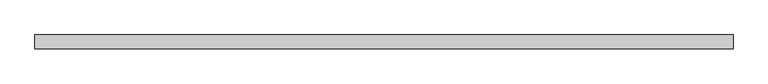
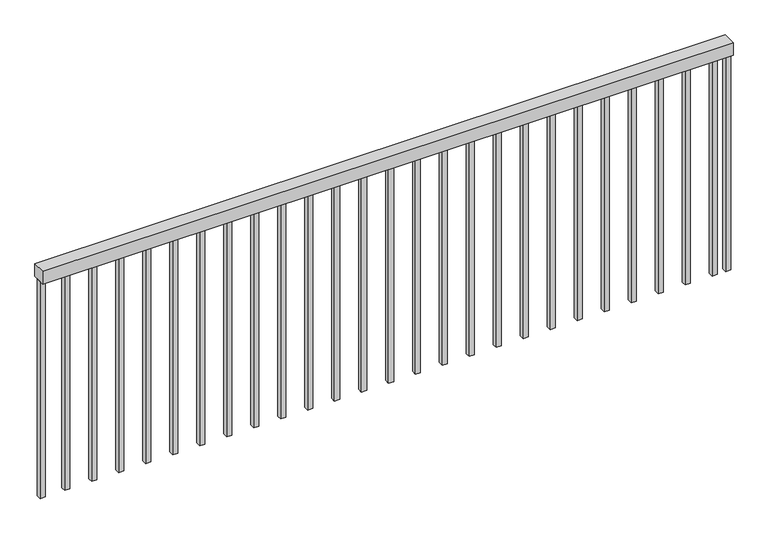
"""IFC4 building model written with IfcOpenShell, lengths in millimetres: railing geometry."""

from ifc_helpers import new_model, si_unit, frame, origin, place, context, project, spatial, polyline, outline, extrude, source, transform, mapped, element, save


def railing_a45c47aa(model_context):
    return source(origin(), model_context, "Body", "SweptSolid", [
        extrude(outline(polyline([(-8860.4855766, 1845.6594717), (-8860.4855766, 1896.4594717), (-6260.4855766, 1896.4594717), (-6260.4855766, 1845.6594717), (-8860.4855766, 1845.6594717)])), frame((0.0, 0.0, 3903.6), z_axis=(0.0, 0.0, 1.0), x_axis=(1.0, 0.0, 0.0)), (0.0, 0.0, 1.0), 50.8),
        extrude(outline(polyline([(-6330.0105766, 1880.5844717), (-6310.9605766, 1880.5844717), (-6310.9605766, 1861.5344717), (-6330.0105766, 1861.5344717), (-6330.0105766, 1880.5844717)])), frame((0.0, 0.0, 3040.0), z_axis=(0.0, 0.0, 1.0), x_axis=(1.0, 0.0, 0.0)), (0.0, 0.0, 1.0), 863.6),
        extrude(outline(polyline([(-6431.6105766, 1880.5844717), (-6412.5605766, 1880.5844717), (-6412.5605766, 1861.5344717), (-6431.6105766, 1861.5344717), (-6431.6105766, 1880.5844717)])), frame((0.0, 0.0, 3040.0), z_axis=(0.0, 0.0, 1.0), x_axis=(1.0, 0.0, 0.0)), (0.0, 0.0, 1.0), 863.6),
        extrude(outline(polyline([(-6533.2105766, 1880.5844717), (-6514.1605766, 1880.5844717), (-6514.1605766, 1861.5344717), (-6533.2105766, 1861.5344717), (-6533.2105766, 1880.5844717)])), frame((0.0, 0.0, 3040.0), z_axis=(0.0, 0.0, 1.0), x_axis=(1.0, 0.0, 0.0)), (0.0, 0.0, 1.0), 863.6),
        extrude(outline(polyline([(-6634.8105766, 1880.5844717), (-6615.7605766, 1880.5844717), (-6615.7605766, 1861.5344717), (-6634.8105766, 1861.5344717), (-6634.8105766, 1880.5844717)])), frame((0.0, 0.0, 3040.0), z_axis=(0.0, 0.0, 1.0), x_axis=(1.0, 0.0, 0.0)), (0.0, 0.0, 1.0), 863.6),
        extrude(outline(polyline([(-6736.4105766, 1880.5844717), (-6717.3605766, 1880.5844717), (-6717.3605766, 1861.5344717), (-6736.4105766, 1861.5344717), (-6736.4105766, 1880.5844717)])), frame((0.0, 0.0, 3040.0), z_axis=(0.0, 0.0, 1.0), x_axis=(1.0, 0.0, 0.0)), (0.0, 0.0, 1.0), 863.6),
        extrude(outline(polyline([(-6838.0105766, 1880.5844717), (-6818.9605766, 1880.5844717), (-6818.9605766, 1861.5344717), (-6838.0105766, 1861.5344717), (-6838.0105766, 1880.5844717)])), frame((0.0, 0.0, 3040.0), z_axis=(0.0, 0.0, 1.0), x_axis=(1.0, 0.0, 0.0)), (0.0, 0.0, 1.0), 863.6),
        extrude(outline(polyline([(-6939.6105766, 1880.5844717), (-6920.5605766, 1880.5844717), (-6920.5605766, 1861.5344717), (-6939.6105766, 1861.5344717), (-6939.6105766, 1880.5844717)])), frame((0.0, 0.0, 3040.0), z_axis=(0.0, 0.0, 1.0), x_axis=(1.0, 0.0, 0.0)), (0.0, 0.0, 1.0), 863.6),
        extrude(outline(polyline([(-7041.2105766, 1880.5844717), (-7022.1605766, 1880.5844717), (-7022.1605766, 1861.5344717), (-7041.2105766, 1861.5344717), (-7041.2105766, 1880.5844717)])), frame((0.0, 0.0, 3040.0), z_axis=(0.0, 0.0, 1.0), x_axis=(1.0, 0.0, 0.0)), (0.0, 0.0, 1.0), 863.6),
        extrude(outline(polyline([(-7142.8105766, 1880.5844717), (-7123.7605766, 1880.5844717), (-7123.7605766, 1861.5344717), (-7142.8105766, 1861.5344717), (-7142.8105766, 1880.5844717)])), frame((0.0, 0.0, 3040.0), z_axis=(0.0, 0.0, 1.0), x_axis=(1.0, 0.0, 0.0)), (0.0, 0.0, 1.0), 863.6),
        extrude(outline(polyline([(-7244.4105766, 1880.5844717), (-7225.3605766, 1880.5844717), (-7225.3605766, 1861.5344717), (-7244.4105766, 1861.5344717), (-7244.4105766, 1880.5844717)])), frame((0.0, 0.0, 3040.0), z_axis=(0.0, 0.0, 1.0), x_axis=(1.0, 0.0, 0.0)), (0.0, 0.0, 1.0), 863.6),
        extrude(outline(polyline([(-7346.0105766, 1880.5844717), (-7326.9605766, 1880.5844717), (-7326.9605766, 1861.5344717), (-7346.0105766, 1861.5344717), (-7346.0105766, 1880.5844717)])), frame((0.0, 0.0, 3040.0), z_axis=(0.0, 0.0, 1.0), x_axis=(1.0, 0.0, 0.0)), (0.0, 0.0, 1.0), 863.6),
        extrude(outline(polyline([(-7447.6105766, 1880.5844717), (-7428.5605766, 1880.5844717), (-7428.5605766, 1861.5344717), (-7447.6105766, 1861.5344717), (-7447.6105766, 1880.5844717)])), frame((0.0, 0.0, 3040.0), z_axis=(0.0, 0.0, 1.0), x_axis=(1.0, 0.0, 0.0)), (0.0, 0.0, 1.0), 863.6),
        extrude(outline(polyline([(-7549.2105766, 1880.5844717), (-7530.1605766, 1880.5844717), (-7530.1605766, 1861.5344717), (-7549.2105766, 1861.5344717), (-7549.2105766, 1880.5844717)])), frame((0.0, 0.0, 3040.0), z_axis=(0.0, 0.0, 1.0), x_axis=(1.0, 0.0, 0.0)), (0.0, 0.0, 1.0), 863.6),
        extrude(outline(polyline([(-7650.8105766, 1880.5844717), (-7631.7605766, 1880.5844717), (-7631.7605766, 1861.5344717), (-7650.8105766, 1861.5344717), (-7650.8105766, 1880.5844717)])), frame((0.0, 0.0, 3040.0), z_axis=(0.0, 0.0, 1.0), x_axis=(1.0, 0.0, 0.0)), (0.0, 0.0, 1.0), 863.6),
        extrude(outline(polyline([(-7752.4105766, 1880.5844717), (-7733.3605766, 1880.5844717), (-7733.3605766, 1861.5344717), (-7752.4105766, 1861.5344717), (-7752.4105766, 1880.5844717)])), frame((0.0, 0.0, 3040.0), z_axis=(0.0, 0.0, 1.0), x_axis=(1.0, 0.0, 0.0)), (0.0, 0.0, 1.0), 863.6),
        extrude(outline(polyline([(-7854.0105766, 1880.5844717), (-7834.9605766, 1880.5844717), (-7834.9605766, 1861.5344717), (-7854.0105766, 1861.5344717), (-7854.0105766, 1880.5844717)])), frame((0.0, 0.0, 3040.0), z_axis=(0.0, 0.0, 1.0), x_axis=(1.0, 0.0, 0.0)), (0.0, 0.0, 1.0), 863.6),
        extrude(outline(polyline([(-7955.6105766, 1880.5844717), (-7936.5605766, 1880.5844717), (-7936.5605766, 1861.5344717), (-7955.6105766, 1861.5344717), (-7955.6105766, 1880.5844717)])), frame((0.0, 0.0, 3040.0), z_axis=(0.0, 0.0, 1.0), x_axis=(1.0, 0.0, 0.0)), (0.0, 0.0, 1.0), 863.6),
        extrude(outline(polyline([(-8057.2105766, 1880.5844717), (-8038.1605766, 1880.5844717), (-8038.1605766, 1861.5344717), (-8057.2105766, 1861.5344717), (-8057.2105766, 1880.5844717)])), frame((0.0, 0.0, 3040.0), z_axis=(0.0, 0.0, 1.0), x_axis=(1.0, 0.0, 0.0)), (0.0, 0.0, 1.0), 863.6),
        extrude(outline(polyline([(-8158.8105766, 1880.5844717), (-8139.7605766, 1880.5844717), (-8139.7605766, 1861.5344717), (-8158.8105766, 1861.5344717), (-8158.8105766, 1880.5844717)])), frame((0.0, 0.0, 3040.0), z_axis=(0.0, 0.0, 1.0), x_axis=(1.0, 0.0, 0.0)), (0.0, 0.0, 1.0), 863.6),
        extrude(outline(polyline([(-8260.4105766, 1880.5844717), (-8241.3605766, 1880.5844717), (-8241.3605766, 1861.5344717), (-8260.4105766, 1861.5344717), (-8260.4105766, 1880.5844717)])), frame((0.0, 0.0, 3040.0), z_axis=(0.0, 0.0, 1.0), x_axis=(1.0, 0.0, 0.0)), (0.0, 0.0, 1.0), 863.6),
        extrude(outline(polyline([(-8362.0105766, 1880.5844717), (-8342.9605766, 1880.5844717), (-8342.9605766, 1861.5344717), (-8362.0105766, 1861.5344717), (-8362.0105766, 1880.5844717)])), frame((0.0, 0.0, 3040.0), z_axis=(0.0, 0.0, 1.0), x_axis=(1.0, 0.0, 0.0)), (0.0, 0.0, 1.0), 863.6),
        extrude(outline(polyline([(-8463.6105766, 1880.5844717), (-8444.5605766, 1880.5844717), (-8444.5605766, 1861.5344717), (-8463.6105766, 1861.5344717), (-8463.6105766, 1880.5844717)])), frame((0.0, 0.0, 3040.0), z_axis=(0.0, 0.0, 1.0), x_axis=(1.0, 0.0, 0.0)), (0.0, 0.0, 1.0), 863.6),
        extrude(outline(polyline([(-8565.2105766, 1880.5844717), (-8546.1605766, 1880.5844717), (-8546.1605766, 1861.5344717), (-8565.2105766, 1861.5344717), (-8565.2105766, 1880.5844717)])), frame((0.0, 0.0, 3040.0), z_axis=(0.0, 0.0, 1.0), x_axis=(1.0, 0.0, 0.0)), (0.0, 0.0, 1.0), 863.6),
        extrude(outline(polyline([(-8666.8105766, 1880.5844717), (-8647.7605766, 1880.5844717), (-8647.7605766, 1861.5344717), (-8666.8105766, 1861.5344717), (-8666.8105766, 1880.5844717)])), frame((0.0, 0.0, 3040.0), z_axis=(0.0, 0.0, 1.0), x_axis=(1.0, 0.0, 0.0)), (0.0, 0.0, 1.0), 863.6),
        extrude(outline(polyline([(-8768.4105766, 1880.5844717), (-8749.3605766, 1880.5844717), (-8749.3605766, 1861.5344717), (-8768.4105766, 1861.5344717), (-8768.4105766, 1880.5844717)])), frame((0.0, 0.0, 3040.0), z_axis=(0.0, 0.0, 1.0), x_axis=(1.0, 0.0, 0.0)), (0.0, 0.0, 1.0), 863.6),
        extrude(outline(polyline([(-6279.5105766, 1880.5844717), (-6260.4605766, 1880.5844717), (-6260.4605766, 1861.5344717), (-6279.5105766, 1861.5344717), (-6279.5105766, 1880.5844717)])), frame((0.0, 0.0, 3040.0), z_axis=(0.0, 0.0, 1.0), x_axis=(1.0, 0.0, 0.0)), (0.0, 0.0, 1.0), 863.6),
        extrude(outline(polyline([(-8860.5105766, 1880.5844717), (-8841.4605766, 1880.5844717), (-8841.4605766, 1861.5344717), (-8860.5105766, 1861.5344717), (-8860.5105766, 1880.5844717)])), frame((0.0, 0.0, 3040.0), z_axis=(0.0, 0.0, 1.0), x_axis=(1.0, 0.0, 0.0)), (0.0, 0.0, 1.0), 863.6),
    ])


if __name__ == "__main__":
    model = new_model("IFC4")
    model_context = context("Model", 3, world=origin())
    ifc_project = project(units=[si_unit("LENGTHUNIT", "METRE", prefix="MILLI")], contexts=[model_context])
    site = spatial("IfcSite", under=ifc_project)
    building = spatial("IfcBuilding", under=site)
    placement = place(None, origin())
    railing_shape = railing_a45c47aa(model_context)
    element("IfcRailing", 1, at=placement, inside=building, context=model_context, shape_type="MappedRepresentation", body=[
        mapped(railing_shape, transform((0.0, 0.0, 0.0), x_axis=(1.0, 0.0, 0.0), y_axis=(0.0, 1.0, 0.0), z_axis=(0.0, 0.0, 1.0))),
    ])
    save(model, "model.ifc")
